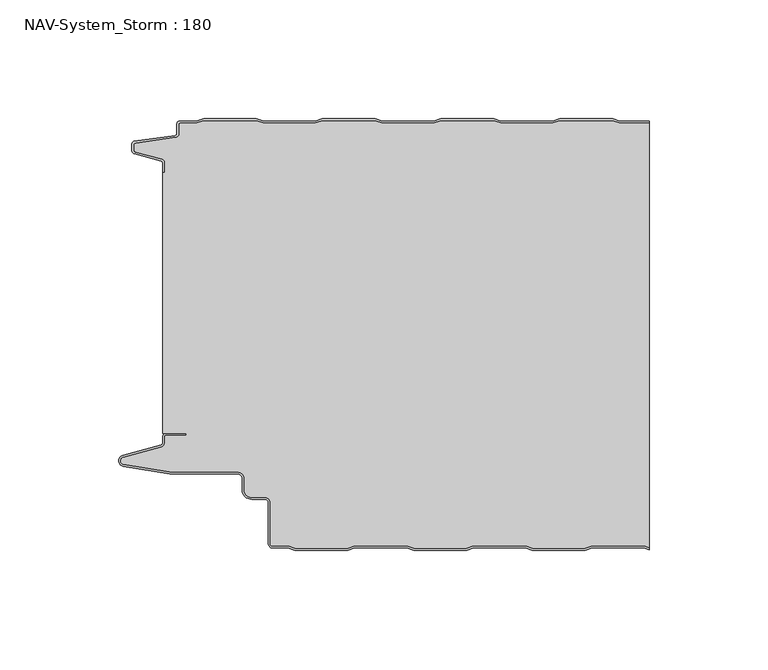
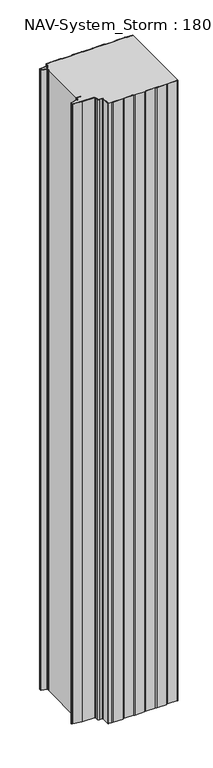
"""IFC4 building model written with IfcOpenShell, lengths in millimetres: plate geometry, NAV-System_Storm : 180."""

from ifc_helpers import new_model, si_unit, point, frame, frame_2d, origin, origin_with_axes, place, context, project, spatial, polyline, circle_curve, trimmed, segment, composite_curve, outline, extrude, source, transform, mapped, element, save
from ifc_brep_helpers import plane_surface, cylinder_surface, revolved_surface, advanced_brep


def nav_system_storm_180_94f7378e(model_context):
    return source(origin(), model_context, "Body", "SolidModel", [
        extrude(outline(composite_curve([segment(polyline([(86.8684174, -0.8), (83.8684174, 0.2), (61.8684174, 0.2), (58.8684174, -0.8), (36.8684174, -0.8), (33.8684174, 0.2), (11.8684174, 0.2), (8.8684174, -0.8), (-13.1315826, -0.8), (-16.1315826, 0.2), (-38.1315826, 0.2), (-41.1315826, -0.8), (-63.1315826, -0.8), (-66.1315826, 0.2), (-88.1315826, 0.2), (-91.1315826, -0.8), (-98.2000153, -0.8)]), True, "CONTINUOUS"), segment(trimmed(circle_curve(frame_2d((-98.2000153, -1.3)), 0.5), [point((-98.2000153, -0.8))], [point((-98.7000153, -1.3))], True, "CARTESIAN"), True, "CONTINUOUS"), segment(polyline([(-98.7000153, -1.3), (-98.7000153, -5.3964683)]), True, "CONTINUOUS"), segment(trimmed(circle_curve(frame_2d((-100.2000153, -5.3964683)), 1.5), [point((-98.7000153, -5.3964683))], [point((-99.991136, -6.8818536))], False, "CARTESIAN"), True, "CONTINUOUS"), segment(polyline([(-99.991136, -6.8818536), (-116.9352336, -9.2645825)]), True, "CONTINUOUS"), segment(trimmed(circle_curve(frame_2d((-116.8115062, -10.1444347)), 0.8885091), [point((-116.9352336, -9.2645825))], [point((-117.7000153, -10.1444347))], True, "CARTESIAN"), True, "CONTINUOUS"), segment(polyline([(-117.7000153, -10.1444347), (-117.7000153, -12.46995)]), True, "CONTINUOUS"), segment(trimmed(circle_curve(frame_2d((-117.1000153, -12.46995)), 0.6), [point((-117.7000153, -12.46995))], [point((-117.2553067, -13.0495055))], True, "CARTESIAN"), True, "CONTINUOUS"), segment(polyline([(-117.2553067, -13.0495055), (-105.8785784, -16.0978907)]), True, "CONTINUOUS"), segment(trimmed(circle_curve(frame_2d((-106.266807, -17.5467794)), 1.5), [point((-105.8785784, -16.0978907))], [point((-104.766807, -17.5467794))], False, "CARTESIAN"), True, "CONTINUOUS"), segment(polyline([(-104.766807, -17.5467794), (-104.766807, -21.623446), (-105.566807, -21.623446), (-105.566807, -17.5467794)]), True, "CONTINUOUS"), segment(trimmed(circle_curve(frame_2d((-106.266807, -17.5467794)), 0.7), [point((-105.566807, -17.5467794))], [point((-106.0856337, -16.8706313))], True, "CARTESIAN"), True, "CONTINUOUS"), segment(polyline([(-106.0856337, -16.8706313), (-117.53648, -13.8023863)]), True, "CONTINUOUS"), segment(trimmed(circle_curve(frame_2d((-117.2000153, -12.5466827)), 1.3), [point((-117.53648, -13.8023863))], [point((-118.5000153, -12.5466827))], False, "CARTESIAN"), True, "CONTINUOUS"), segment(polyline([(-118.5000153, -12.5466827), (-118.5000153, -9.8067363)]), True, "CONTINUOUS"), segment(trimmed(circle_curve(frame_2d((-117.2000153, -9.8067363)), 1.3), [point((-118.5000153, -9.8067363))], [point((-117.3810439, -8.5194024))], False, "CARTESIAN"), True, "CONTINUOUS"), segment(polyline([(-117.3810439, -8.5194024), (-100.1025383, -6.0896481)]), True, "CONTINUOUS"), segment(trimmed(circle_curve(frame_2d((-100.2000153, -5.3964683)), 0.7), [point((-100.1025383, -6.0896481))], [point((-99.5000153, -5.3964683))], True, "CARTESIAN"), True, "CONTINUOUS"), segment(polyline([(-99.5000153, -5.3964683), (-99.5000153, -1.3)]), True, "CONTINUOUS"), segment(trimmed(circle_curve(frame_2d((-98.2000153, -1.3)), 1.3), [point((-99.5000153, -1.3))], [point((-98.2000153, 0.0))], False, "CARTESIAN"), True, "CONTINUOUS"), segment(polyline([(-98.2000153, 0.0), (-91.2614047, 0.0), (-88.2614047, 1.0), (-66.0017605, 1.0), (-63.0017605, 0.0), (-41.2614047, 0.0), (-38.2614047, 1.0), (-16.0017605, 1.0), (-13.0017605, 0.0), (8.7385953, 0.0), (11.7385953, 1.0), (33.9982395, 1.0), (36.9982395, 0.0), (58.7385953, 0.0), (61.7385953, 1.0), (83.9982395, 1.0), (86.9982395, 0.0), (99.5, 0.0), (99.5, -0.8), (86.8684174, -0.8)]), True, "CONTINUOUS")], self_intersect=False)), origin_with_axes(), (0.0, 0.0, 1.0), 1500.0),
        advanced_brep(
        [(86.8684327, -0.8, 1500.0), (83.8684327, 0.2, 1500.0), (61.8684327, 0.2, 1500.0), (58.8684327, -0.8, 1500.0), (36.8684327, -0.8, 1500.0), (33.8684327, 0.2, 1500.0), (11.8684327, 0.2, 1500.0), (8.8684327, -0.8, 1500.0), (-13.1315673, -0.8, 1500.0), (-16.1315673, 0.2, 1500.0), (-38.1315673, 0.2, 1500.0), (-41.1315673, -0.8, 1500.0), (-63.1315673, -0.8, 1500.0), (-66.1315673, 0.2, 1500.0), (-88.1315673, 0.2, 1500.0), (-91.1315673, -0.8, 1500.0), (-98.2, -0.8, 1500.0), (-98.7, -1.3, 1500.0), (-98.7, -5.3964683, 1500.0), (-99.9911207, -6.8818536, 1500.0), (-116.9352183, -9.2645825, 1500.0), (-117.7, -10.1444347, 1500.0), (-117.7, -12.46995, 1500.0), (-117.2552914, -13.0495055, 1500.0), (-105.8785632, -16.0978907, 1500.0), (-104.7667917, -17.5467794, 1500.0), (-104.7667917, -21.623446, 1500.0), (-105.5667917, -21.623446, 1500.0), (-105.5667917, -131.7763253, 1500.0), (-95.5330891, -131.7763253, 1500.0), (-95.5330891, -132.5763253, 1500.0), (-104.0330891, -132.5763253, 1500.0), (-104.7330891, -133.2763253, 1500.0), (-104.7330891, -135.8624192, 1500.0), (-105.9560377, -137.4561968, 1500.0), (-122.0574978, -141.8079393, 1500.0), (-121.9021816, -144.8341065, 1500.0), (-102.4332334, -148.0040626, 1500.0), (-73.9661198, -148.0040626, 1500.0), (-71.1661198, -150.806803, 1500.0), (-71.1661198, -155.5, 1500.0), (-67.9661198, -158.7, 1500.0), (-62.4661198, -158.7, 1500.0), (-60.1661198, -161.0, 1500.0), (-60.1661198, -178.2484002, 1500.0), (-59.2161211, -179.2, 1500.0), (-52.5977024, -179.2, 1500.0), (-49.5977024, -180.2, 1500.0), (-27.5977024, -180.2, 1500.0), (-24.5977024, -179.2, 1500.0), (-2.5977024, -179.2, 1500.0), (0.4022976, -180.2, 1500.0), (22.4022976, -180.2, 1500.0), (25.4022976, -179.2, 1500.0), (47.4022976, -179.2, 1500.0), (50.4022976, -180.2, 1500.0), (72.4022976, -180.2, 1500.0), (75.4022976, -179.2, 1500.0), (97.4022976, -179.2, 1500.0), (99.5, -179.8992341, 1500.0), (99.5, -0.8, 1500.0), (97.4022976, -179.2, 0.0), (75.4022976, -179.2, 0.0), (72.4022976, -180.2, 0.0), (50.4022976, -180.2, 0.0), (47.4022976, -179.2, 0.0), (25.4022976, -179.2, 0.0), (22.4022976, -180.2, 0.0), (0.4022976, -180.2, 0.0), (-2.5977024, -179.2, 0.0), (-24.5977024, -179.2, 0.0), (-27.5977024, -180.2, 0.0), (-49.5977024, -180.2, 0.0), (-52.5977024, -179.2, 0.0), (-59.2161211, -179.2, 0.0), (-60.1661198, -178.2484002, 0.0), (-60.1661198, -161.0, 0.0), (-62.4661198, -158.7, 0.0), (-67.9661198, -158.7, 0.0), (-71.1661198, -155.5, 0.0), (-71.1661198, -150.806803, 0.0), (-73.9661198, -148.006803, 0.0), (-102.4332334, -148.0040626, 0.0), (-121.9021816, -144.8341065, 0.0), (-122.0574978, -141.8079393, 0.0), (-105.9560377, -137.4561968, 0.0), (-104.7330891, -135.8624192, 0.0), (-104.7330891, -133.2763253, 0.0), (-104.0330891, -132.5763253, 0.0), (-95.5330891, -132.5763253, 0.0), (-95.5330891, -131.7763253, 0.0), (-105.5667917, -131.7763253, 0.0), (-105.5667917, -21.623446, 0.0), (-104.7667917, -21.623446, 0.0), (-104.7667917, -17.5467794, 0.0), (-105.8785632, -16.0978907, 0.0), (-117.2552914, -13.0495055, 0.0), (-117.7, -12.46995, 0.0), (-117.7, -10.1444347, 0.0), (-116.9352183, -9.2645825, 0.0), (-99.9911207, -6.8818536, 0.0), (-98.7, -5.3964683, 0.0), (-98.7, -1.3, 0.0), (-98.2, -0.8, 0.0), (-91.1315673, -0.8, 0.0), (-88.1315673, 0.2, 0.0), (-66.1315673, 0.2, 0.0), (-63.1315673, -0.8, 0.0), (-41.1315673, -0.8, 0.0), (-38.1315673, 0.2, 0.0), (-16.1315673, 0.2, 0.0), (-13.1315673, -0.8, 0.0), (8.8684327, -0.8, 0.0), (11.8684327, 0.2, 0.0), (33.8684327, 0.2, 0.0), (36.8684327, -0.8, 0.0), (58.8684327, -0.8, 0.0), (61.8684327, 0.2, 0.0), (83.8684327, 0.2, 0.0), (86.8684327, -0.8, 0.0), (99.5, -0.8, 0.0), (99.5, -179.8992341, 0.0)],
        [
            (0, 1),
            (1, 2),
            (2, 3),
            (3, 4),
            (4, 5),
            (5, 6),
            (6, 7),
            (7, 8),
            (8, 9),
            (9, 10),
            (10, 11),
            (11, 12),
            (12, 13),
            (13, 14),
            (14, 15),
            (15, 16),
            (16, 17, circle_curve(frame((-98.2, -1.3, 1500.0), z_axis=(0.0, 0.0, 1.0), x_axis=(1.0, 0.0, 0.0)), 0.5)),
            (17, 18),
            (18, 19, circle_curve(frame((-100.2, -5.3964683, 1500.0), z_axis=(0.0, 0.0, -1.0), x_axis=(1.0, 0.0, 0.0)), 1.5)),
            (19, 20),
            (20, 21, circle_curve(frame((-116.8114909, -10.1444347, 1500.0), z_axis=(0.0, 0.0, 1.0), x_axis=(1.0, 0.0, 0.0)), 0.8885091)),
            (21, 22),
            (22, 23, circle_curve(frame((-117.1, -12.46995, 1500.0), z_axis=(0.0, 0.0, 1.0), x_axis=(1.0, 0.0, 0.0)), 0.6)),
            (23, 24),
            (24, 25, circle_curve(frame((-106.2667917, -17.5467794, 1500.0), z_axis=(0.0, 0.0, -1.0), x_axis=(1.0, 0.0, 0.0)), 1.5)),
            (25, 26),
            (26, 27),
            (27, 28),
            (28, 29),
            (29, 30),
            (30, 31),
            (31, 32, circle_curve(frame((-104.0330891, -133.2763253, 1500.0), z_axis=(0.0, 0.0, 1.0), x_axis=(1.0, 0.0, 0.0)), 0.7)),
            (32, 33),
            (33, 34, circle_curve(frame((-106.3830891, -135.8624192, 1500.0), z_axis=(0.0, 0.0, -1.0), x_axis=(1.0, 0.0, 0.0)), 1.65)),
            (34, 35),
            (35, 36, circle_curve(frame((-121.6530891, -143.3042526, 1500.0), z_axis=(0.0, 0.0, 1.0), x_axis=(1.0, 0.0, 0.0)), 1.55)),
            (36, 37),
            (37, 38),
            (38, 39, circle_curve(frame((-73.9661198, -150.806803, 1500.0), z_axis=(0.0, 0.0, -1.0), x_axis=(1.0, 0.0, 0.0)), 2.8)),
            (39, 40),
            (40, 41, circle_curve(frame((-67.9661198, -155.5, 1500.0), z_axis=(0.0, 0.0, 1.0), x_axis=(1.0, 0.0, 0.0)), 3.2)),
            (41, 42),
            (42, 43, circle_curve(frame((-62.4661198, -161.0, 1500.0), z_axis=(0.0, 0.0, -1.0), x_axis=(1.0, 0.0, 0.0)), 2.3)),
            (43, 44),
            (44, 45, circle_curve(frame((-59.2161211, -178.25, 1500.0), z_axis=(0.0, 0.0, 1.0), x_axis=(1.0, 0.0, 0.0)), 0.95)),
            (45, 46),
            (46, 47),
            (47, 48),
            (48, 49),
            (49, 50),
            (50, 51),
            (51, 52),
            (52, 53),
            (53, 54),
            (54, 55),
            (55, 56),
            (56, 57),
            (57, 58),
            (58, 59),
            (59, 60),
            (60, 0),
            (61, 62),
            (62, 63),
            (63, 64),
            (64, 65),
            (65, 66),
            (66, 67),
            (67, 68),
            (68, 69),
            (69, 70),
            (70, 71),
            (71, 72),
            (72, 73),
            (73, 74),
            (74, 75, circle_curve(frame((-59.2161211, -178.25, 0.0), z_axis=(0.0, 0.0, -1.0), x_axis=(1.0, 0.0, 0.0)), 0.95)),
            (75, 76),
            (76, 77, circle_curve(frame((-62.4661198, -161.0, 0.0), z_axis=(0.0, 0.0, 1.0), x_axis=(1.0, 0.0, 0.0)), 2.3)),
            (77, 78),
            (78, 79, circle_curve(frame((-67.9661198, -155.5, 0.0), z_axis=(0.0, 0.0, -1.0), x_axis=(1.0, 0.0, 0.0)), 3.2)),
            (79, 80),
            (80, 81, circle_curve(frame((-73.9661198, -150.806803, 0.0), z_axis=(0.0, 0.0, 1.0), x_axis=(1.0, 0.0, 0.0)), 2.8)),
            (81, 82),
            (82, 83),
            (83, 84, circle_curve(frame((-121.6530891, -143.3042526, 0.0), z_axis=(0.0, 0.0, -1.0), x_axis=(1.0, 0.0, 0.0)), 1.55)),
            (84, 85),
            (85, 86, circle_curve(frame((-106.3830891, -135.8624192, 0.0), z_axis=(0.0, 0.0, 1.0), x_axis=(1.0, 0.0, 0.0)), 1.65)),
            (86, 87),
            (87, 88, circle_curve(frame((-104.0330891, -133.2763253, 0.0), z_axis=(0.0, 0.0, -1.0), x_axis=(1.0, 0.0, 0.0)), 0.7)),
            (88, 89),
            (89, 90),
            (90, 91),
            (91, 92),
            (92, 93),
            (93, 94),
            (94, 95, circle_curve(frame((-106.2667917, -17.5467794, 0.0), z_axis=(0.0, 0.0, 1.0), x_axis=(1.0, 0.0, 0.0)), 1.5)),
            (95, 96),
            (96, 97, circle_curve(frame((-117.1, -12.46995, 0.0), z_axis=(0.0, 0.0, -1.0), x_axis=(1.0, 0.0, 0.0)), 0.6)),
            (97, 98),
            (98, 99, circle_curve(frame((-116.8114909, -10.1444347, 0.0), z_axis=(0.0, 0.0, -1.0), x_axis=(1.0, 0.0, 0.0)), 0.8885091)),
            (99, 100),
            (100, 101, circle_curve(frame((-100.2, -5.3964683, 0.0), z_axis=(0.0, 0.0, 1.0), x_axis=(1.0, 0.0, 0.0)), 1.5)),
            (101, 102),
            (102, 103, circle_curve(frame((-98.2, -1.3, 0.0), z_axis=(0.0, 0.0, -1.0), x_axis=(1.0, 0.0, 0.0)), 0.5)),
            (103, 104),
            (104, 105),
            (105, 106),
            (106, 107),
            (107, 108),
            (108, 109),
            (109, 110),
            (110, 111),
            (111, 112),
            (112, 113),
            (113, 114),
            (114, 115),
            (115, 116),
            (116, 117),
            (117, 118),
            (118, 119),
            (119, 120),
            (120, 121),
            (121, 61),
            (119, 0),
            (60, 120),
            (118, 1),
            (117, 2),
            (116, 3),
            (115, 4),
            (114, 5),
            (113, 6),
            (112, 7),
            (111, 8),
            (110, 9),
            (109, 10),
            (108, 11),
            (107, 12),
            (106, 13),
            (105, 14),
            (104, 15),
            (103, 16),
            (102, 17),
            (101, 18),
            (100, 19),
            (99, 20),
            (98, 21),
            (97, 22),
            (96, 23),
            (95, 24),
            (94, 25),
            (93, 26),
            (92, 27),
            (91, 28),
            (90, 29),
            (89, 30),
            (88, 31),
            (87, 32),
            (86, 33),
            (85, 34),
            (84, 35),
            (83, 36),
            (82, 37),
            (81, 38),
            (80, 39),
            (79, 40),
            (78, 41),
            (77, 42),
            (76, 43),
            (75, 44),
            (74, 45),
            (73, 46),
            (72, 47),
            (71, 48),
            (70, 49),
            (69, 50),
            (68, 51),
            (67, 52),
            (66, 53),
            (65, 54),
            (64, 55),
            (63, 56),
            (62, 57),
            (61, 58),
            (121, 59),
        ],
        [
            plane_surface(frame((-99.5, 0.0, 1500.0), z_axis=(0.0, 0.0, 1.0), x_axis=(0.0, -1.0, 0.0))),
            plane_surface(frame((-99.5, 0.0, 0.0), z_axis=(0.0, 0.0, -1.0), x_axis=(0.0, -1.0, 0.0))),
            plane_surface(frame((108.8684327, -0.8, 1500.0), z_axis=(0.0, 1.0, 0.0), x_axis=(0.0, 0.0, -1.0))),
            plane_surface(frame((86.8684327, -0.8, 1500.0), z_axis=(0.3162277660167034, 0.9486832980505586, 0.0), x_axis=(0.0, 0.0, -1.0))),
            plane_surface(frame((83.8684327, 0.2, 1500.0), z_axis=(0.0, 1.0, 0.0), x_axis=(0.0, 0.0, -1.0))),
            plane_surface(frame((61.8684327, 0.2, 1500.0), z_axis=(-0.3162277660167478, 0.948683298050544, 0.0), x_axis=(0.0, 0.0, -1.0))),
            plane_surface(frame((58.8684327, -0.8, 1500.0), z_axis=(0.0, 1.0, 0.0), x_axis=(0.0, 0.0, -1.0))),
            plane_surface(frame((36.8684327, -0.8, 1500.0), z_axis=(0.3162277660167612, 0.9486832980505394, 0.0), x_axis=(0.0, 0.0, -1.0))),
            plane_surface(frame((33.8684327, 0.2, 1500.0), z_axis=(0.0, 1.0, 0.0), x_axis=(0.0, 0.0, -1.0))),
            plane_surface(frame((11.8684327, 0.2, 1500.0), z_axis=(-0.3162277660168056, 0.9486832980505246, 0.0), x_axis=(0.0, 0.0, -1.0))),
            plane_surface(frame((8.8684327, -0.8, 1500.0), z_axis=(0.0, 1.0, 0.0), x_axis=(0.0, 0.0, -1.0))),
            plane_surface(frame((-13.1315673, -0.8, 1500.0), z_axis=(0.3162277660167548, 0.9486832980505415, 0.0), x_axis=(0.0, 0.0, -1.0))),
            plane_surface(frame((-16.1315673, 0.2, 1500.0), z_axis=(0.0, 1.0, 0.0), x_axis=(0.0, 0.0, -1.0))),
            plane_surface(frame((-38.1315673, 0.2, 1500.0), z_axis=(-0.31622776601682484, 0.9486832980505183, 0.0), x_axis=(0.0, 0.0, -1.0))),
            plane_surface(frame((-41.1315673, -0.8, 1500.0), z_axis=(0.0, 1.0, 0.0), x_axis=(0.0, 0.0, -1.0))),
            plane_surface(frame((-63.1315673, -0.8, 1500.0), z_axis=(0.3162277660167034, 0.9486832980505586, 0.0), x_axis=(0.0, 0.0, -1.0))),
            plane_surface(frame((-66.1315673, 0.2, 1500.0), z_axis=(0.0, 1.0, 0.0), x_axis=(0.0, 0.0, -1.0))),
            plane_surface(frame((-88.1315673, 0.2, 1500.0), z_axis=(-0.31622776601670927, 0.9486832980505567, 0.0), x_axis=(0.0, 0.0, -1.0))),
            plane_surface(frame((-91.1315673, -0.8, 1500.0), z_axis=(0.0, 1.0, 0.0), x_axis=(0.0, 0.0, -1.0))),
            cylinder_surface(frame((-98.2, -1.3, 1500.0), z_axis=(0.0, 0.0, 1.0), x_axis=(1.0, 0.0, 0.0)), 0.5),
            plane_surface(frame((-98.7, -1.3, 1500.0), z_axis=(-1.0, 0.0, 0.0), x_axis=(0.0, 0.0, -1.0))),
            revolved_surface(polyline([(-98.7, -5.3964683, 0.0), (-98.7, -5.3964683, 1500.0)]), (-100.2, -5.3964683, 1500.0), (0.0, 0.0, -1.0)),
            plane_surface(frame((-99.9911207, -6.8818536, 1500.0), z_axis=(-0.13925283650469739, 0.9902568593680107, 0.0), x_axis=(0.0, 0.0, -1.0))),
            cylinder_surface(frame((-116.8114909, -10.1444347, 1500.0), z_axis=(0.0, 0.0, 1.0), x_axis=(1.0, 0.0, 0.0)), 0.8885091),
            plane_surface(frame((-117.7, -10.1444347, 1500.0), z_axis=(-1.0, 0.0, 0.0), x_axis=(0.0, 0.0, -1.0))),
            cylinder_surface(frame((-117.1, -12.46995, 1500.0), z_axis=(0.0, 0.0, 1.0), x_axis=(1.0, 0.0, 0.0)), 0.6),
            plane_surface(frame((-117.2552914, -13.0495055, 1500.0), z_axis=(-0.2588190451027143, -0.9659258262890165, 0.0), x_axis=(0.0, 0.0, -1.0))),
            revolved_surface(polyline([(-104.7667917, -17.5467794, 0.0), (-104.7667917, -17.5467794, 1500.0)]), (-106.2667917, -17.5467794, 1500.0), (0.0, 0.0, -1.0)),
            plane_surface(frame((-104.7667917, -17.5467794, 1500.0), z_axis=(-1.0, 0.0, 0.0), x_axis=(0.0, 0.0, -1.0))),
            plane_surface(frame((-104.7667917, -21.623446, 1500.0), z_axis=(0.0, 1.0, 0.0), x_axis=(0.0, 0.0, -1.0))),
            plane_surface(frame((-105.5667917, -21.623446, 1500.0), z_axis=(-1.0, 0.0, 0.0), x_axis=(0.0, 0.0, -1.0))),
            plane_surface(frame((-105.5667917, -131.7763253, 1500.0), z_axis=(0.0, -1.0, 0.0), x_axis=(0.0, 0.0, -1.0))),
            plane_surface(frame((-95.5330891, -131.7763253, 1500.0), z_axis=(-1.0, 0.0, 0.0), x_axis=(0.0, 0.0, -1.0))),
            plane_surface(frame((-95.5330891, -132.5763253, 1500.0), z_axis=(0.0, 1.0, 0.0), x_axis=(0.0, 0.0, -1.0))),
            cylinder_surface(frame((-104.0330891, -133.2763253, 1500.0), z_axis=(0.0, 0.0, 1.0), x_axis=(1.0, 0.0, 0.0)), 0.7),
            plane_surface(frame((-104.7330891, -133.2763253, 1500.0), z_axis=(-1.0, 0.0, 0.0), x_axis=(0.0, 0.0, -1.0))),
            revolved_surface(polyline([(-104.7330891, -135.8624192, 0.0), (-104.7330891, -135.8624192, 1500.0)]), (-106.3830891, -135.8624192, 1500.0), (0.0, 0.0, -1.0)),
            plane_surface(frame((-105.9560377, -137.4561968, 1500.0), z_axis=(-0.26090882701688406, 0.9653634465757825, 0.0), x_axis=(0.0, 0.0, -1.0))),
            cylinder_surface(frame((-121.6530891, -143.3042526, 1500.0), z_axis=(0.0, 0.0, 1.0), x_axis=(1.0, 0.0, 0.0)), 1.55),
            plane_surface(frame((-121.9021816, -144.8341065, 1500.0), z_axis=(-0.16070486280350044, -0.9870025061119694, 0.0), x_axis=(0.0, 0.0, -1.0))),
            plane_surface(frame((-102.4332334, -148.0040626, 1500.0), z_axis=(0.0, -1.0, 0.0), x_axis=(0.0, 0.0, -1.0))),
            revolved_surface(polyline([(-71.1661198, -150.806803, 0.0), (-71.1661198, -150.806803, 1500.0)]), (-73.9661198, -150.806803, 1500.0), (0.0, 0.0, -1.0)),
            plane_surface(frame((-71.1661198, -150.806803, 1500.0), z_axis=(-1.0, 0.0, 0.0), x_axis=(0.0, 0.0, -1.0))),
            cylinder_surface(frame((-67.9661198, -155.5, 1500.0), z_axis=(0.0, 0.0, 1.0), x_axis=(1.0, 0.0, 0.0)), 3.2),
            plane_surface(frame((-67.9661198, -158.7, 1500.0), z_axis=(0.0, -1.0, 0.0), x_axis=(0.0, 0.0, -1.0))),
            revolved_surface(polyline([(-60.166119800000004, -161.0, 0.0), (-60.166119800000004, -161.0, 1500.0)]), (-62.4661198, -161.0, 1500.0), (0.0, 0.0, -1.0)),
            plane_surface(frame((-60.1661198, -161.0, 1500.0), z_axis=(-1.0, 0.0, 0.0), x_axis=(0.0, 0.0, -1.0))),
            cylinder_surface(frame((-59.2161211, -178.25, 1500.0), z_axis=(0.0, 0.0, 1.0), x_axis=(1.0, 0.0, 0.0)), 0.95),
            plane_surface(frame((-59.2161211, -179.2, 1500.0), z_axis=(0.0, -1.0, 0.0), x_axis=(0.0, 0.0, -1.0))),
            plane_surface(frame((-52.5977024, -179.2, 1500.0), z_axis=(-0.3162277660167127, -0.9486832980505555, 0.0), x_axis=(0.0, 0.0, -1.0))),
            plane_surface(frame((-49.5977024, -180.2, 1500.0), z_axis=(0.0, -1.0, 0.0), x_axis=(0.0, 0.0, -1.0))),
            plane_surface(frame((-27.5977024, -180.2, 1500.0), z_axis=(0.3162277660167063, -0.9486832980505577, 0.0), x_axis=(0.0, 0.0, -1.0))),
            plane_surface(frame((-24.5977024, -179.2, 1500.0), z_axis=(0.0, -1.0, 0.0), x_axis=(0.0, 0.0, -1.0))),
            plane_surface(frame((-2.5977024, -179.2, 1500.0), z_axis=(-0.316227766016809, -0.9486832980505234, 0.0), x_axis=(0.0, 0.0, -1.0))),
            plane_surface(frame((0.4022976, -180.2, 1500.0), z_axis=(0.0, -1.0, 0.0), x_axis=(0.0, 0.0, -1.0))),
            plane_surface(frame((22.4022976, -180.2, 1500.0), z_axis=(0.31622776601676095, -0.9486832980505395, 0.0), x_axis=(0.0, 0.0, -1.0))),
            plane_surface(frame((25.4022976, -179.2, 1500.0), z_axis=(0.0, -1.0, 0.0), x_axis=(0.0, 0.0, -1.0))),
            plane_surface(frame((47.4022976, -179.2, 1500.0), z_axis=(-0.31622776601680586, -0.9486832980505245, 0.0), x_axis=(0.0, 0.0, -1.0))),
            plane_surface(frame((50.4022976, -180.2, 1500.0), z_axis=(0.0, -1.0, 0.0), x_axis=(0.0, 0.0, -1.0))),
            plane_surface(frame((72.4022976, -180.2, 1500.0), z_axis=(0.31622776601676095, -0.9486832980505395, 0.0), x_axis=(0.0, 0.0, -1.0))),
            plane_surface(frame((75.4022976, -179.2, 1500.0), z_axis=(0.0, -1.0, 0.0), x_axis=(0.0, 0.0, -1.0))),
            plane_surface(frame((97.4022976, -179.2, 1500.0), z_axis=(-0.31622776601674485, -0.9486832980505449, 0.0), x_axis=(0.0, 0.0, -1.0))),
            plane_surface(frame((99.5, 100.0, 1500.0), z_axis=(1.0, 0.0, 0.0), x_axis=(0.0, 0.0, -1.0))),
        ],
        [
            (0, [[1, 2, 3, 4, 5, 6, 7, 8, 9, 10, 11, 12, 13, 14, 15, 16, 17, 18, 19, 20, 21, 22, 23, 24, 25, 26, 27, 28, 29, 30, 31, 32, 33, 34, 35, 36, 37, 38, 39, 40, 41, 42, 43, 44, 45, 46, 47, 48, 49, 50, 51, 52, 53, 54, 55, 56, 57, 58, 59, 60, 61]]),
            (1, [[62, 63, 64, 65, 66, 67, 68, 69, 70, 71, 72, 73, 74, 75, 76, 77, 78, 79, 80, 81, 82, 83, 84, 85, 86, 87, 88, 89, 90, 91, 92, 93, 94, 95, 96, 97, 98, 99, 100, 101, 102, 103, 104, 105, 106, 107, 108, 109, 110, 111, 112, 113, 114, 115, 116, 117, 118, 119, 120, 121, 122]]),
            (2, [[123, -61, 124, -120]]),
            (3, [[-1, -123, -119, 125]]),
            (4, [[-2, -125, -118, 126]]),
            (5, [[-3, -126, -117, 127]]),
            (6, [[-4, -127, -116, 128]]),
            (7, [[-5, -128, -115, 129]]),
            (8, [[-6, -129, -114, 130]]),
            (9, [[-7, -130, -113, 131]]),
            (10, [[-8, -131, -112, 132]]),
            (11, [[-9, -132, -111, 133]]),
            (12, [[-10, -133, -110, 134]]),
            (13, [[-11, -134, -109, 135]]),
            (14, [[-12, -135, -108, 136]]),
            (15, [[-13, -136, -107, 137]]),
            (16, [[-14, -137, -106, 138]]),
            (17, [[-15, -138, -105, 139]]),
            (18, [[-16, -139, -104, 140]]),
            (19, [[-17, -140, -103, 141]]),
            (20, [[-18, -141, -102, 142]]),
            (21, [[-19, -142, -101, 143]]),
            (22, [[-20, -143, -100, 144]]),
            (23, [[-21, -144, -99, 145]]),
            (24, [[-22, -145, -98, 146]]),
            (25, [[-23, -146, -97, 147]]),
            (26, [[-24, -147, -96, 148]]),
            (27, [[-25, -148, -95, 149]]),
            (28, [[-26, -149, -94, 150]]),
            (29, [[-27, -150, -93, 151]]),
            (30, [[-28, -151, -92, 152]]),
            (31, [[-29, -152, -91, 153]]),
            (32, [[-30, -153, -90, 154]]),
            (33, [[-31, -154, -89, 155]]),
            (34, [[-32, -155, -88, 156]]),
            (35, [[-33, -156, -87, 157]]),
            (36, [[-34, -157, -86, 158]]),
            (37, [[-35, -158, -85, 159]]),
            (38, [[-36, -159, -84, 160]]),
            (39, [[-37, -160, -83, 161]]),
            (40, [[-38, -161, -82, 162]]),
            (41, [[-39, -162, -81, 163]]),
            (42, [[-40, -163, -80, 164]]),
            (43, [[-41, -164, -79, 165]]),
            (44, [[-42, -165, -78, 166]]),
            (45, [[-43, -166, -77, 167]]),
            (46, [[-44, -167, -76, 168]]),
            (47, [[-45, -168, -75, 169]]),
            (48, [[-46, -169, -74, 170]]),
            (49, [[-47, -170, -73, 171]]),
            (50, [[-48, -171, -72, 172]]),
            (51, [[-49, -172, -71, 173]]),
            (52, [[-50, -173, -70, 174]]),
            (53, [[-51, -174, -69, 175]]),
            (54, [[-52, -175, -68, 176]]),
            (55, [[-53, -176, -67, 177]]),
            (56, [[-54, -177, -66, 178]]),
            (57, [[-55, -178, -65, 179]]),
            (58, [[-56, -179, -64, 180]]),
            (59, [[-57, -180, -63, 181]]),
            (60, [[-58, -181, -62, 182]]),
            (61, [[-182, -122, 183, -59]]),
            (62, [[-60, -183, -121, -124]]),
        ],
    ),
        advanced_brep(
        [(97.3684174, -179.2, 1500.0), (75.3684174, -179.2, 1500.0), (72.3684174, -180.2, 1500.0), (50.3684174, -180.2, 1500.0), (47.3684174, -179.2, 1500.0), (25.3684174, -179.2, 1500.0), (22.3684174, -180.2, 1500.0), (0.3684174, -180.2, 1500.0), (-2.6315826, -179.2, 1500.0), (-24.6315826, -179.2, 1500.0), (-27.6315826, -180.2, 1500.0), (-49.6315826, -180.2, 1500.0), (-52.6315826, -179.2, 1500.0), (-59.2500013, -179.2, 1500.0), (-60.2, -178.2484002, 1500.0), (-60.2, -161.0, 1500.0), (-62.5, -158.7, 1500.0), (-68.0, -158.7, 1500.0), (-71.2, -155.5, 1500.0), (-71.2, -150.806803, 1500.0), (-74.0, -148.006803, 1500.0), (-102.4671136, -148.0040626, 1500.0), (-121.9360619, -144.8341065, 1500.0), (-122.091378, -141.8079393, 1500.0), (-105.9899179, -137.4561968, 1500.0), (-104.7669693, -135.8624192, 1500.0), (-104.7669693, -133.2763253, 1500.0), (-104.0669693, -132.5763253, 1500.0), (-95.5669693, -132.5763253, 1500.0), (-95.5669693, -131.7763253, 1500.0), (-104.0669693, -131.7763253, 1500.0), (-105.5669693, -133.2763253, 1500.0), (-105.5669693, -135.9006976, 1500.0), (-106.1582424, -136.6729884, 1500.0), (-122.3001048, -141.0356484, 1500.0), (-122.0646249, -145.6237086, 1500.0), (-102.4341193, -148.806803, 1500.0), (-74.0, -148.806803, 1500.0), (-72.0, -150.806803, 1500.0), (-72.0, -155.5, 1500.0), (-68.0, -159.5, 1500.0), (-62.5, -159.5, 1500.0), (-61.0, -161.0, 1500.0), (-61.0, -178.2478286, 1500.0), (-59.2500013, -180.0, 1500.0), (-52.7614047, -180.0, 1500.0), (-49.7614047, -181.0, 1500.0), (-27.5017605, -181.0, 1500.0), (-24.5017605, -180.0, 1500.0), (-2.7614047, -180.0, 1500.0), (0.2385953, -181.0, 1500.0), (22.4982395, -181.0, 1500.0), (25.4982395, -180.0, 1500.0), (47.2385953, -180.0, 1500.0), (50.2385953, -181.0, 1500.0), (72.4982395, -181.0, 1500.0), (75.4982395, -180.0, 1500.0), (97.2385953, -180.0, 1500.0), (99.5, -180.7538016, 1500.0), (99.5, -179.9105275, 1500.0), (97.2385953, -180.0, 0.0), (75.4982395, -180.0, 0.0), (72.4982395, -181.0, 0.0), (50.2385953, -181.0, 0.0), (47.2385953, -180.0, 0.0), (25.4982395, -180.0, 0.0), (22.4982395, -181.0, 0.0), (0.2385953, -181.0, 0.0), (-2.7614047, -180.0, 0.0), (-24.5017605, -180.0, 0.0), (-27.5017605, -181.0, 0.0), (-49.7614047, -181.0, 0.0), (-52.7614047, -180.0, 0.0), (-59.2500013, -180.0, 0.0), (-61.0, -178.2478286, 0.0), (-61.0, -161.0, 0.0), (-62.5, -159.5, 0.0), (-68.0, -159.5, 0.0), (-72.0, -155.5, 0.0), (-72.0, -150.806803, 0.0), (-74.0, -148.806803, 0.0), (-102.4341193, -148.806803, 0.0), (-122.0646249, -145.6237086, 0.0), (-122.3001048, -141.0356484, 0.0), (-106.1582424, -136.6729884, 0.0), (-105.5669693, -135.9006976, 0.0), (-105.5669693, -133.2763253, 0.0), (-104.0669693, -131.7763253, 0.0), (-95.5669693, -131.7763253, 0.0), (-95.5669693, -132.5763253, 0.0), (-104.0669693, -132.5763253, 0.0), (-104.7669693, -133.2763253, 0.0), (-104.7669693, -135.8624192, 0.0), (-105.9899179, -137.4561968, 0.0), (-122.091378, -141.8079393, 0.0), (-121.9360619, -144.8341065, 0.0), (-102.4671136, -148.0040626, 0.0), (-74.0, -148.0040626, 0.0), (-71.2, -150.806803, 0.0), (-71.2, -155.5, 0.0), (-68.0, -158.7, 0.0), (-62.5, -158.7, 0.0), (-60.2, -161.0, 0.0), (-60.2, -178.2484002, 0.0), (-59.2500013, -179.2, 0.0), (-52.6315826, -179.2, 0.0), (-49.6315826, -180.2, 0.0), (-27.6315826, -180.2, 0.0), (-24.6315826, -179.2, 0.0), (-2.6315826, -179.2, 0.0), (0.3684174, -180.2, 0.0), (22.3684174, -180.2, 0.0), (25.3684174, -179.2, 0.0), (47.3684174, -179.2, 0.0), (50.3684174, -180.2, 0.0), (72.3684174, -180.2, 0.0), (75.3684174, -179.2, 0.0), (97.3684174, -179.2, 0.0), (99.5, -179.9105275, 0.0), (99.5, -180.7538016, 0.0)],
        [
            (0, 1),
            (1, 2),
            (2, 3),
            (3, 4),
            (4, 5),
            (5, 6),
            (6, 7),
            (7, 8),
            (8, 9),
            (9, 10),
            (10, 11),
            (11, 12),
            (12, 13),
            (13, 14, circle_curve(frame((-59.2500013, -178.25, 1500.0), z_axis=(0.0, 0.0, -1.0), x_axis=(1.0, 0.0, 0.0)), 0.95)),
            (14, 15),
            (15, 16, circle_curve(frame((-62.5, -161.0, 1500.0), z_axis=(0.0, 0.0, 1.0), x_axis=(1.0, 0.0, 0.0)), 2.3)),
            (16, 17),
            (17, 18, circle_curve(frame((-68.0, -155.5, 1500.0), z_axis=(0.0, 0.0, -1.0), x_axis=(1.0, 0.0, 0.0)), 3.2)),
            (18, 19),
            (19, 20, circle_curve(frame((-74.0, -150.806803, 1500.0), z_axis=(0.0, 0.0, 1.0), x_axis=(1.0, 0.0, 0.0)), 2.8)),
            (20, 21),
            (21, 22),
            (22, 23, circle_curve(frame((-121.6869693, -143.3042526, 1500.0), z_axis=(0.0, 0.0, -1.0), x_axis=(1.0, 0.0, 0.0)), 1.55)),
            (23, 24),
            (24, 25, circle_curve(frame((-106.4169693, -135.8624192, 1500.0), z_axis=(0.0, 0.0, 1.0), x_axis=(1.0, 0.0, 0.0)), 1.65)),
            (25, 26),
            (26, 27, circle_curve(frame((-104.0669693, -133.2763253, 1500.0), z_axis=(0.0, 0.0, -1.0), x_axis=(1.0, 0.0, 0.0)), 0.7)),
            (27, 28),
            (28, 29),
            (29, 30),
            (30, 31, circle_curve(frame((-104.0669693, -133.2763253, 1500.0), z_axis=(0.0, 0.0, 1.0), x_axis=(1.0, 0.0, 0.0)), 1.5)),
            (31, 32),
            (32, 33, circle_curve(frame((-106.3669693, -135.9006976, 1500.0), z_axis=(0.0, 0.0, -1.0), x_axis=(1.0, 0.0, 0.0)), 0.8)),
            (33, 34),
            (34, 35, circle_curve(frame((-121.6869693, -143.3042526, 1500.0), z_axis=(0.0, 0.0, 1.0), x_axis=(1.0, 0.0, 0.0)), 2.35)),
            (35, 36),
            (36, 37),
            (37, 38, circle_curve(frame((-74.0, -150.806803, 1500.0), z_axis=(0.0, 0.0, -1.0), x_axis=(1.0, 0.0, 0.0)), 2.0)),
            (38, 39),
            (39, 40, circle_curve(frame((-68.0, -155.5, 1500.0), z_axis=(0.0, 0.0, 1.0), x_axis=(1.0, 0.0, 0.0)), 4.0)),
            (40, 41),
            (41, 42, circle_curve(frame((-62.5, -161.0, 1500.0), z_axis=(0.0, 0.0, -1.0), x_axis=(1.0, 0.0, 0.0)), 1.5)),
            (42, 43),
            (43, 44, circle_curve(frame((-59.2500013, -178.25, 1500.0), z_axis=(0.0, 0.0, 1.0), x_axis=(1.0, 0.0, 0.0)), 1.75)),
            (44, 45),
            (45, 46),
            (46, 47),
            (47, 48),
            (48, 49),
            (49, 50),
            (50, 51),
            (51, 52),
            (52, 53),
            (53, 54),
            (54, 55),
            (55, 56),
            (56, 57),
            (57, 58),
            (58, 59),
            (59, 0),
            (60, 61),
            (61, 62),
            (62, 63),
            (63, 64),
            (64, 65),
            (65, 66),
            (66, 67),
            (67, 68),
            (68, 69),
            (69, 70),
            (70, 71),
            (71, 72),
            (72, 73),
            (73, 74, circle_curve(frame((-59.2500013, -178.25, 0.0), z_axis=(0.0, 0.0, -1.0), x_axis=(1.0, 0.0, 0.0)), 1.75)),
            (74, 75),
            (75, 76, circle_curve(frame((-62.5, -161.0, 0.0), z_axis=(0.0, 0.0, 1.0), x_axis=(1.0, 0.0, 0.0)), 1.5)),
            (76, 77),
            (77, 78, circle_curve(frame((-68.0, -155.5, 0.0), z_axis=(0.0, 0.0, -1.0), x_axis=(1.0, 0.0, 0.0)), 4.0)),
            (78, 79),
            (79, 80, circle_curve(frame((-74.0, -150.806803, 0.0), z_axis=(0.0, 0.0, 1.0), x_axis=(1.0, 0.0, 0.0)), 2.0)),
            (80, 81),
            (81, 82),
            (82, 83, circle_curve(frame((-121.6869693, -143.3042526, 0.0), z_axis=(0.0, 0.0, -1.0), x_axis=(1.0, 0.0, 0.0)), 2.35)),
            (83, 84),
            (84, 85, circle_curve(frame((-106.3669693, -135.9006976, 0.0), z_axis=(0.0, 0.0, 1.0), x_axis=(1.0, 0.0, 0.0)), 0.8)),
            (85, 86),
            (86, 87, circle_curve(frame((-104.0669693, -133.2763253, 0.0), z_axis=(0.0, 0.0, -1.0), x_axis=(1.0, 0.0, 0.0)), 1.5)),
            (87, 88),
            (88, 89),
            (89, 90),
            (90, 91, circle_curve(frame((-104.0669693, -133.2763253, 0.0), z_axis=(0.0, 0.0, 1.0), x_axis=(1.0, 0.0, 0.0)), 0.7)),
            (91, 92),
            (92, 93, circle_curve(frame((-106.4169693, -135.8624192, 0.0), z_axis=(0.0, 0.0, -1.0), x_axis=(1.0, 0.0, 0.0)), 1.65)),
            (93, 94),
            (94, 95, circle_curve(frame((-121.6869693, -143.3042526, 0.0), z_axis=(0.0, 0.0, 1.0), x_axis=(1.0, 0.0, 0.0)), 1.55)),
            (95, 96),
            (96, 97),
            (97, 98, circle_curve(frame((-74.0, -150.806803, 0.0), z_axis=(0.0, 0.0, -1.0), x_axis=(1.0, 0.0, 0.0)), 2.8)),
            (98, 99),
            (99, 100, circle_curve(frame((-68.0, -155.5, 0.0), z_axis=(0.0, 0.0, 1.0), x_axis=(1.0, 0.0, 0.0)), 3.2)),
            (100, 101),
            (101, 102, circle_curve(frame((-62.5, -161.0, 0.0), z_axis=(0.0, 0.0, -1.0), x_axis=(1.0, 0.0, 0.0)), 2.3)),
            (102, 103),
            (103, 104, circle_curve(frame((-59.2500013, -178.25, 0.0), z_axis=(0.0, 0.0, 1.0), x_axis=(1.0, 0.0, 0.0)), 0.95)),
            (104, 105),
            (105, 106),
            (106, 107),
            (107, 108),
            (108, 109),
            (109, 110),
            (110, 111),
            (111, 112),
            (112, 113),
            (113, 114),
            (114, 115),
            (115, 116),
            (116, 117),
            (117, 118),
            (118, 119),
            (119, 60),
            (44, 73),
            (72, 45),
            (71, 46),
            (70, 47),
            (69, 48),
            (68, 49),
            (67, 50),
            (66, 51),
            (65, 52),
            (64, 53),
            (63, 54),
            (62, 55),
            (61, 56),
            (60, 57),
            (119, 58),
            (117, 0),
            (59, 118),
            (116, 1),
            (115, 2),
            (114, 3),
            (113, 4),
            (112, 5),
            (111, 6),
            (110, 7),
            (109, 8),
            (108, 9),
            (107, 10),
            (106, 11),
            (105, 12),
            (104, 13),
            (103, 14),
            (102, 15),
            (101, 16),
            (100, 17),
            (99, 18),
            (98, 19),
            (97, 20),
            (96, 21),
            (95, 22),
            (94, 23),
            (93, 24),
            (92, 25),
            (91, 26),
            (90, 27),
            (89, 28),
            (88, 29),
            (87, 30),
            (86, 31),
            (85, 32),
            (84, 33),
            (83, 34),
            (82, 35),
            (81, 36),
            (80, 37),
            (79, 38),
            (78, 39),
            (77, 40),
            (76, 41),
            (75, 42),
            (74, 43),
        ],
        [
            plane_surface(frame((-99.5, -180.0, 1500.0), z_axis=(0.0, 0.0, 1.0), x_axis=(-1.0, 0.0, 0.0))),
            plane_surface(frame((-99.5, -180.0, 0.0), z_axis=(0.0, 0.0, -1.0), x_axis=(-1.0, 0.0, 0.0))),
            plane_surface(frame((-59.2500013, -180.0, 1500.0), z_axis=(0.0, -1.0, 0.0), x_axis=(0.0, 0.0, -1.0))),
            plane_surface(frame((-52.7614047, -180.0, 1500.0), z_axis=(-0.3162277660167412, -0.9486832980505461, 0.0), x_axis=(0.0, 0.0, -1.0))),
            plane_surface(frame((-49.7614047, -181.0, 1500.0), z_axis=(0.0, -1.0, 0.0), x_axis=(0.0, 0.0, -1.0))),
            plane_surface(frame((-27.5017605, -181.0, 1500.0), z_axis=(0.3162277660167414, -0.9486832980505461, 0.0), x_axis=(0.0, 0.0, -1.0))),
            plane_surface(frame((-24.5017605, -180.0, 1500.0), z_axis=(0.0, -1.0, 0.0), x_axis=(0.0, 0.0, -1.0))),
            plane_surface(frame((-2.7614047, -180.0, 1500.0), z_axis=(-0.3162277660168044, -0.948683298050525, 0.0), x_axis=(0.0, 0.0, -1.0))),
            plane_surface(frame((0.2385953, -181.0, 1500.0), z_axis=(0.0, -1.0, 0.0), x_axis=(0.0, 0.0, -1.0))),
            plane_surface(frame((22.4982395, -181.0, 1500.0), z_axis=(0.31622776601679237, -0.9486832980505291, 0.0), x_axis=(0.0, 0.0, -1.0))),
            plane_surface(frame((25.4982395, -180.0, 1500.0), z_axis=(0.0, -1.0, 0.0), x_axis=(0.0, 0.0, -1.0))),
            plane_surface(frame((47.2385953, -180.0, 1500.0), z_axis=(-0.3162277660168044, -0.948683298050525, 0.0), x_axis=(0.0, 0.0, -1.0))),
            plane_surface(frame((50.2385953, -181.0, 1500.0), z_axis=(0.0, -1.0, 0.0), x_axis=(0.0, 0.0, -1.0))),
            plane_surface(frame((72.4982395, -181.0, 1500.0), z_axis=(0.31622776601679237, -0.9486832980505291, 0.0), x_axis=(0.0, 0.0, -1.0))),
            plane_surface(frame((75.4982395, -180.0, 1500.0), z_axis=(0.0, -1.0, 0.0), x_axis=(0.0, 0.0, -1.0))),
            plane_surface(frame((97.2385953, -180.0, 1500.0), z_axis=(-0.31622776601675345, -0.948683298050542, 0.0), x_axis=(0.0, 0.0, -1.0))),
            plane_surface(frame((100.3684174, -180.2, 1500.0), z_axis=(0.3162277660167308, 0.9486832980505495, 0.0), x_axis=(0.0, 0.0, -1.0))),
            plane_surface(frame((97.3684174, -179.2, 1500.0), z_axis=(0.0, 1.0, 0.0), x_axis=(0.0, 0.0, -1.0))),
            plane_surface(frame((75.3684174, -179.2, 1500.0), z_axis=(-0.3162277660167753, 0.9486832980505348, 0.0), x_axis=(0.0, 0.0, -1.0))),
            plane_surface(frame((72.3684174, -180.2, 1500.0), z_axis=(0.0, 1.0, 0.0), x_axis=(0.0, 0.0, -1.0))),
            plane_surface(frame((50.3684174, -180.2, 1500.0), z_axis=(0.3162277660167874, 0.9486832980505308, 0.0), x_axis=(0.0, 0.0, -1.0))),
            plane_surface(frame((47.3684174, -179.2, 1500.0), z_axis=(0.0, 1.0, 0.0), x_axis=(0.0, 0.0, -1.0))),
            plane_surface(frame((25.3684174, -179.2, 1500.0), z_axis=(-0.3162277660167753, 0.9486832980505348, 0.0), x_axis=(0.0, 0.0, -1.0))),
            plane_surface(frame((22.3684174, -180.2, 1500.0), z_axis=(0.0, 1.0, 0.0), x_axis=(0.0, 0.0, -1.0))),
            plane_surface(frame((0.3684174, -180.2, 1500.0), z_axis=(0.3162277660167874, 0.9486832980505308, 0.0), x_axis=(0.0, 0.0, -1.0))),
            plane_surface(frame((-2.6315826, -179.2, 1500.0), z_axis=(0.0, 1.0, 0.0), x_axis=(0.0, 0.0, -1.0))),
            plane_surface(frame((-24.6315826, -179.2, 1500.0), z_axis=(-0.31622776601671876, 0.9486832980505536, 0.0), x_axis=(0.0, 0.0, -1.0))),
            plane_surface(frame((-27.6315826, -180.2, 1500.0), z_axis=(0.0, 1.0, 0.0), x_axis=(0.0, 0.0, -1.0))),
            plane_surface(frame((-49.6315826, -180.2, 1500.0), z_axis=(0.31622776601671854, 0.9486832980505536, 0.0), x_axis=(0.0, 0.0, -1.0))),
            plane_surface(frame((-52.6315826, -179.2, 1500.0), z_axis=(0.0, 1.0, 0.0), x_axis=(0.0, 0.0, -1.0))),
            revolved_surface(polyline([(-58.3000013, -178.25, 0.0), (-58.3000013, -178.25, 1500.0)]), (-59.2500013, -178.25, 1500.0), (0.0, 0.0, -1.0)),
            plane_surface(frame((-60.2, -178.2484002, 1500.0), z_axis=(1.0, 0.0, 0.0), x_axis=(0.0, 0.0, -1.0))),
            cylinder_surface(frame((-62.5, -161.0, 1500.0), z_axis=(0.0, 0.0, 1.0), x_axis=(1.0, 0.0, 0.0)), 2.3),
            plane_surface(frame((-62.5, -158.7, 1500.0), z_axis=(0.0, 1.0, 0.0), x_axis=(0.0, 0.0, -1.0))),
            revolved_surface(polyline([(-64.8, -155.5, 0.0), (-64.8, -155.5, 1500.0)]), (-68.0, -155.5, 1500.0), (0.0, 0.0, -1.0)),
            plane_surface(frame((-71.2, -155.5, 1500.0), z_axis=(1.0, 0.0, 0.0), x_axis=(0.0, 0.0, -1.0))),
            cylinder_surface(frame((-74.0, -150.806803, 1500.0), z_axis=(0.0, 0.0, 1.0), x_axis=(1.0, 0.0, 0.0)), 2.8),
            plane_surface(frame((-74.0, -148.0040626, 1500.0), z_axis=(0.0, 1.0, 0.0), x_axis=(0.0, 0.0, -1.0))),
            plane_surface(frame((-102.4671136, -148.0040626, 1500.0), z_axis=(0.16070486280342547, 0.9870025061119816, 0.0), x_axis=(0.0, 0.0, -1.0))),
            revolved_surface(polyline([(-120.1369693, -143.3042526, 0.0), (-120.1369693, -143.3042526, 1500.0)]), (-121.6869693, -143.3042526, 1500.0), (0.0, 0.0, -1.0)),
            plane_surface(frame((-122.091378, -141.8079393, 1500.0), z_axis=(0.2609088270169608, -0.9653634465757618, 0.0), x_axis=(0.0, 0.0, -1.0))),
            cylinder_surface(frame((-106.4169693, -135.8624192, 1500.0), z_axis=(0.0, 0.0, 1.0), x_axis=(1.0, 0.0, 0.0)), 1.65),
            plane_surface(frame((-104.7669693, -135.8624192, 1500.0), z_axis=(1.0, 0.0, 0.0), x_axis=(0.0, 0.0, -1.0))),
            revolved_surface(polyline([(-103.3669693, -133.2763253, 0.0), (-103.3669693, -133.2763253, 1500.0)]), (-104.0669693, -133.2763253, 1500.0), (0.0, 0.0, -1.0)),
            plane_surface(frame((-104.0669693, -132.5763253, 1500.0), z_axis=(0.0, -1.0, 0.0), x_axis=(0.0, 0.0, -1.0))),
            plane_surface(frame((-95.5669693, -132.5763253, 1500.0), z_axis=(1.0, 0.0, 0.0), x_axis=(0.0, 0.0, -1.0))),
            plane_surface(frame((-95.5669693, -131.7763253, 1500.0), z_axis=(0.0, 1.0, 0.0), x_axis=(0.0, 0.0, -1.0))),
            cylinder_surface(frame((-104.0669693, -133.2763253, 1500.0), z_axis=(0.0, 0.0, 1.0), x_axis=(1.0, 0.0, 0.0)), 1.5),
            plane_surface(frame((-105.5669693, -133.2763253, 1500.0), z_axis=(-1.0, 0.0, 0.0), x_axis=(0.0, 0.0, -1.0))),
            revolved_surface(polyline([(-105.5669693, -135.9006976, 0.0), (-105.5669693, -135.9006976, 1500.0)]), (-106.3669693, -135.9006976, 1500.0), (0.0, 0.0, -1.0)),
            plane_surface(frame((-106.1582424, -136.6729884, 1500.0), z_axis=(-0.26090871859979187, 0.965363475877669, 0.0), x_axis=(0.0, 0.0, -1.0))),
            cylinder_surface(frame((-121.6869693, -143.3042526, 1500.0), z_axis=(0.0, 0.0, 1.0), x_axis=(1.0, 0.0, 0.0)), 2.35),
            plane_surface(frame((-122.0646249, -145.6237086, 1500.0), z_axis=(-0.16005984548186533, -0.9871073122332351, 0.0), x_axis=(0.0, 0.0, -1.0))),
            plane_surface(frame((-102.4341193, -148.806803, 1500.0), z_axis=(0.0, -1.0, 0.0), x_axis=(0.0, 0.0, -1.0))),
            revolved_surface(polyline([(-72.0, -150.806803, 0.0), (-72.0, -150.806803, 1500.0)]), (-74.0, -150.806803, 1500.0), (0.0, 0.0, -1.0)),
            plane_surface(frame((-72.0, -150.806803, 1500.0), z_axis=(-1.0, 0.0, 0.0), x_axis=(0.0, 0.0, -1.0))),
            cylinder_surface(frame((-68.0, -155.5, 1500.0), z_axis=(0.0, 0.0, 1.0), x_axis=(1.0, 0.0, 0.0)), 4.0),
            plane_surface(frame((-68.0, -159.5, 1500.0), z_axis=(0.0, -1.0, 0.0), x_axis=(0.0, 0.0, -1.0))),
            revolved_surface(polyline([(-61.0, -161.0, 0.0), (-61.0, -161.0, 1500.0)]), (-62.5, -161.0, 1500.0), (0.0, 0.0, -1.0)),
            plane_surface(frame((-61.0, -161.0, 1500.0), z_axis=(-1.0, 0.0, 0.0), x_axis=(0.0, 0.0, -1.0))),
            cylinder_surface(frame((-59.2500013, -178.25, 1500.0), z_axis=(0.0, 0.0, 1.0), x_axis=(1.0, 0.0, 0.0)), 1.75),
            plane_surface(frame((99.5, 100.0, 1500.0), z_axis=(1.0, 0.0, 0.0), x_axis=(0.0, 0.0, -1.0))),
        ],
        [
            (0, [[1, 2, 3, 4, 5, 6, 7, 8, 9, 10, 11, 12, 13, 14, 15, 16, 17, 18, 19, 20, 21, 22, 23, 24, 25, 26, 27, 28, 29, 30, 31, 32, 33, 34, 35, 36, 37, 38, 39, 40, 41, 42, 43, 44, 45, 46, 47, 48, 49, 50, 51, 52, 53, 54, 55, 56, 57, 58, 59, 60]]),
            (1, [[61, 62, 63, 64, 65, 66, 67, 68, 69, 70, 71, 72, 73, 74, 75, 76, 77, 78, 79, 80, 81, 82, 83, 84, 85, 86, 87, 88, 89, 90, 91, 92, 93, 94, 95, 96, 97, 98, 99, 100, 101, 102, 103, 104, 105, 106, 107, 108, 109, 110, 111, 112, 113, 114, 115, 116, 117, 118, 119, 120]]),
            (2, [[-45, 121, -73, 122]]),
            (3, [[-46, -122, -72, 123]]),
            (4, [[-47, -123, -71, 124]]),
            (5, [[-48, -124, -70, 125]]),
            (6, [[-49, -125, -69, 126]]),
            (7, [[-50, -126, -68, 127]]),
            (8, [[-51, -127, -67, 128]]),
            (9, [[-52, -128, -66, 129]]),
            (10, [[-53, -129, -65, 130]]),
            (11, [[-54, -130, -64, 131]]),
            (12, [[-55, -131, -63, 132]]),
            (13, [[-56, -132, -62, 133]]),
            (14, [[-57, -133, -61, 134]]),
            (15, [[-134, -120, 135, -58]]),
            (16, [[136, -60, 137, -118]]),
            (17, [[-1, -136, -117, 138]]),
            (18, [[-2, -138, -116, 139]]),
            (19, [[-3, -139, -115, 140]]),
            (20, [[-4, -140, -114, 141]]),
            (21, [[-5, -141, -113, 142]]),
            (22, [[-6, -142, -112, 143]]),
            (23, [[-7, -143, -111, 144]]),
            (24, [[-8, -144, -110, 145]]),
            (25, [[-9, -145, -109, 146]]),
            (26, [[-10, -146, -108, 147]]),
            (27, [[-11, -147, -107, 148]]),
            (28, [[-12, -148, -106, 149]]),
            (29, [[-13, -149, -105, 150]]),
            (30, [[-14, -150, -104, 151]]),
            (31, [[-15, -151, -103, 152]]),
            (32, [[-16, -152, -102, 153]]),
            (33, [[-17, -153, -101, 154]]),
            (34, [[-18, -154, -100, 155]]),
            (35, [[-19, -155, -99, 156]]),
            (36, [[-20, -156, -98, 157]]),
            (37, [[-21, -157, -97, 158]]),
            (38, [[-22, -158, -96, 159]]),
            (39, [[-23, -159, -95, 160]]),
            (40, [[-24, -160, -94, 161]]),
            (41, [[-25, -161, -93, 162]]),
            (42, [[-26, -162, -92, 163]]),
            (43, [[-27, -163, -91, 164]]),
            (44, [[-28, -164, -90, 165]]),
            (45, [[-29, -165, -89, 166]]),
            (46, [[-30, -166, -88, 167]]),
            (47, [[-31, -167, -87, 168]]),
            (48, [[-32, -168, -86, 169]]),
            (49, [[-33, -169, -85, 170]]),
            (50, [[-34, -170, -84, 171]]),
            (51, [[-35, -171, -83, 172]]),
            (52, [[-36, -172, -82, 173]]),
            (53, [[-37, -173, -81, 174]]),
            (54, [[-38, -174, -80, 175]]),
            (55, [[-39, -175, -79, 176]]),
            (56, [[-40, -176, -78, 177]]),
            (57, [[-41, -177, -77, 178]]),
            (58, [[-42, -178, -76, 179]]),
            (59, [[-43, -179, -75, 180]]),
            (60, [[-44, -180, -74, -121]]),
            (61, [[-59, -135, -119, -137]]),
        ],
    ),
    ])


if __name__ == "__main__":
    model = new_model("IFC4")
    model_context = context("Model", 3, world=origin())
    ifc_project = project(units=[si_unit("LENGTHUNIT", "METRE", prefix="MILLI")], contexts=[model_context])
    site = spatial("IfcSite", under=ifc_project)
    building = spatial("IfcBuilding", under=site)
    placement = place(None, origin())
    nav_system_storm_180_shape = nav_system_storm_180_94f7378e(model_context)
    element("IfcPlate", 1, ObjectType="NAV-System_Storm : 180", at=placement, inside=building, context=model_context, shape_type="MappedRepresentation", body=[
        mapped(nav_system_storm_180_shape, transform((0.0, 0.0, 0.0), x_axis=(1.0, 0.0, 0.0), y_axis=(0.0, 1.0, 0.0), z_axis=(0.0, 0.0, 1.0))),
    ])
    save(model, "model.ifc")
